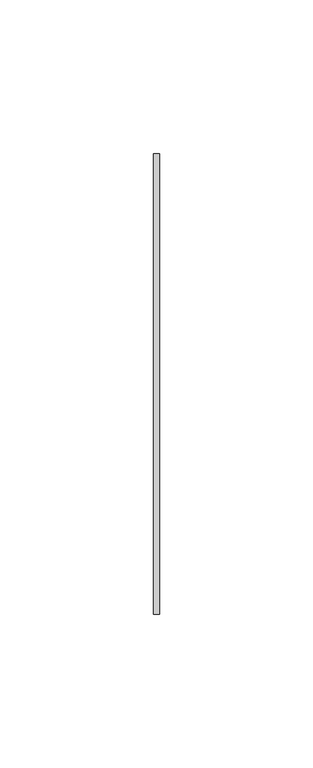
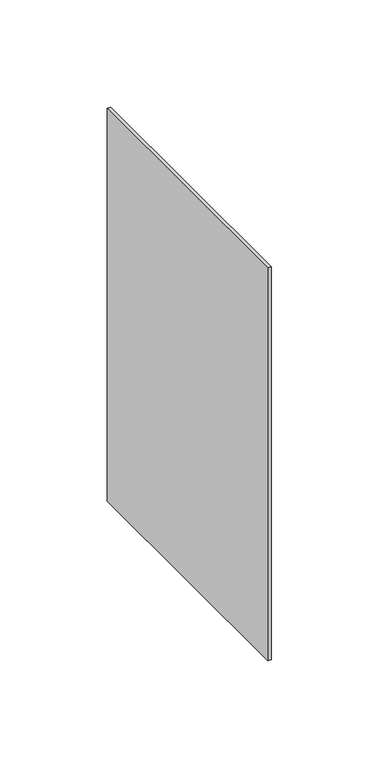
"""IFC4 building model written with IfcOpenShell, lengths in millimetres: proxy geometry."""

from ifc_helpers import new_model, si_unit, frame, origin, place, context, project, spatial, polyline, outline, extrude, source, transform, mapped, element, save


def generic_models_4fe08713(model_context):
    return source(origin(), model_context, "Body", "SweptSolid", [
        extrude(outline(polyline([(2.0, 75.0), (2.0, -75.0), (0.0, -75.0), (0.0, 75.0), (2.0, 75.0)])), frame((0.0, 0.0, -224.0), z_axis=(0.0, 0.0, 1.0), x_axis=(1.0, 0.0, 0.0)), (0.0, 0.0, 1.0), 224.0),
    ])


if __name__ == "__main__":
    model = new_model("IFC4")
    model_context = context("Model", 3, world=origin())
    ifc_project = project(units=[si_unit("LENGTHUNIT", "METRE", prefix="MILLI")], contexts=[model_context])
    site = spatial("IfcSite", under=ifc_project)
    building = spatial("IfcBuilding", under=site)
    placement = place(None, origin())
    generic_models_shape = generic_models_4fe08713(model_context)
    element("IfcBuildingElementProxy", 1, Name="Generic Models", at=placement, inside=building, context=model_context, shape_type="MappedRepresentation", body=[
        mapped(generic_models_shape, transform((0.0, 0.0, 0.0), x_axis=(1.0, 0.0, 0.0), y_axis=(0.0, 1.0, 0.0), z_axis=(0.0, 0.0, 1.0))),
    ])
    save(model, "model.ifc")
